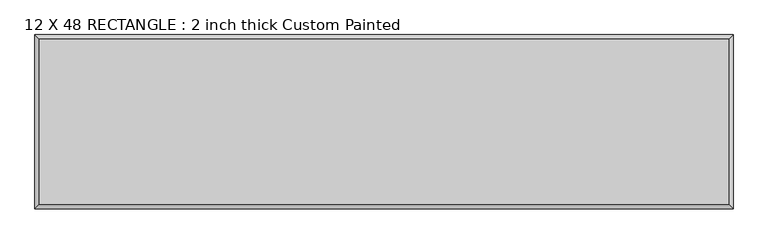
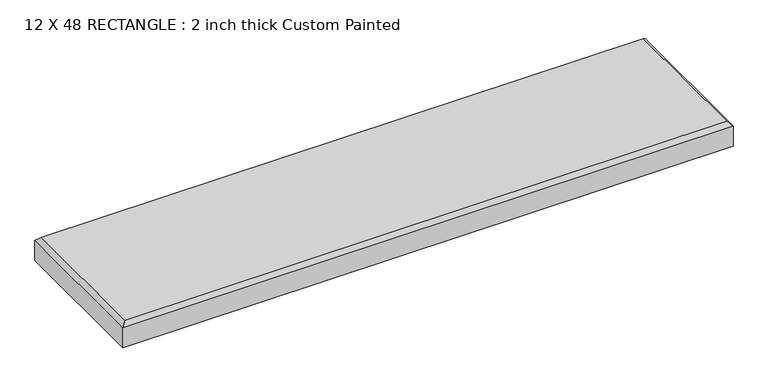
"""IFC4 building model written with IfcOpenShell, lengths in millimetres: proxy geometry, 12 X 48 RECTANGLE : 2 inch thick Custom Painted."""

from ifc_helpers import new_model, si_unit, origin, place, context, project, spatial, faceted_brep, source, transform, mapped, element, save


def proxy_12_x_48_rectangle_2_inch_thick_custom_painted_0e2e40e0(model_context):
    return source(origin(), model_context, "Body", "Brep", [
        faceted_brep([(601.599, 144.399, 50.8), (-601.599, 144.399, 50.8), (-601.599, -144.399, 50.8), (601.599, -144.399, 50.8), (-609.6, 152.4, 0.0), (609.6, 152.4, 0.0), (609.6, -152.4, 0.0), (-609.6, -152.4, 0.0), (-609.6, -152.4, 42.799), (-609.6, 152.4, 42.799), (609.6, -152.4, 42.799), (609.6, 152.4, 42.799)], [[[0, 1, 2, 3]], [[4, 5, 6, 7]], [[4, 7, 8, 9]], [[7, 6, 10, 8]], [[6, 5, 11, 10]], [[5, 4, 9, 11]], [[9, 1, 0, 11]], [[1, 9, 8, 2]], [[2, 8, 10, 3]], [[11, 0, 3, 10]]]),
    ])


if __name__ == "__main__":
    model = new_model("IFC4")
    model_context = context("Model", 3, world=origin())
    ifc_project = project(units=[si_unit("LENGTHUNIT", "METRE", prefix="MILLI")], contexts=[model_context])
    site = spatial("IfcSite", under=ifc_project)
    building = spatial("IfcBuilding", under=site)
    placement = place(None, origin())
    proxy_12_x_48_rectangle_2_inch_thick_custom_painted_shape = proxy_12_x_48_rectangle_2_inch_thick_custom_painted_0e2e40e0(model_context)
    element("IfcBuildingElementProxy", 1, Name="12 X 48 RECTANGLE : 2 inch thick Custom Painted", ObjectType="12 X 48 RECTANGLE : 2 inch thick Custom Painted", at=placement, inside=building, context=model_context, shape_type="MappedRepresentation", body=[
        mapped(proxy_12_x_48_rectangle_2_inch_thick_custom_painted_shape, transform((0.0, 0.0, 0.0), x_axis=(1.0, 0.0, 0.0), y_axis=(0.0, 1.0, 0.0), z_axis=(0.0, 0.0, 1.0))),
    ])
    save(model, "model.ifc")
